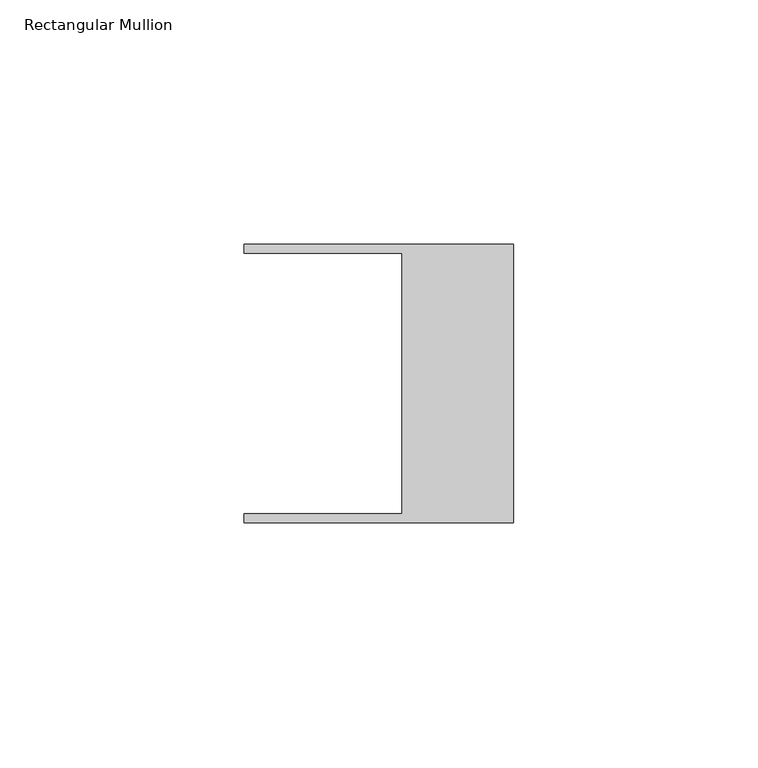
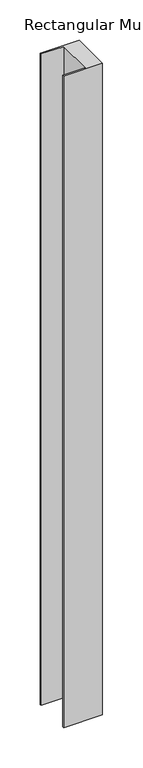
"""IFC4 building model written with IfcOpenShell, lengths in millimetres: member geometry, Rectangular Mullion."""

import ifcopenshell
import ifcopenshell.guid

model = None  # the IFC model being written
_history = None  # IfcOwnerHistory: only IFC2X3 demands one
_inside = {}  # id of a spatial element -> (the spatial element, [elements in it])
_under = {}  # id of a project, library or spatial element -> (it, [spatial elements below it])
_declared = {}  # id of a project -> (the project, [libraries it declares])
_typed = {}  # id of a type object -> (the type object, [elements of that type])
_made_of = {}  # id of a material, layer set ... -> (it, [elements and type objects made of it])


def new_model(schema):
    """Start an empty IFC model of exactly this schema.

    Asked for "IFC4X3", IfcOpenShell would pick the latest addendum, in which some entities
    have other attributes; the version numbers below select the first issue.
    IFC2X3 requires an IfcOwnerHistory on every rooted entity: one is made here for all.
    """
    global model, _history
    if schema == "IFC4X3":
        model = ifcopenshell.file(schema_version=(4, 3, 0, 0))
    else:
        model = ifcopenshell.file(schema=schema)
    _inside.clear()
    _under.clear()
    _declared.clear()
    _typed.clear()
    _made_of.clear()
    _history = None
    if model.schema == "IFC2X3":
        org = make("IfcOrganization", Name="unknown")
        user = make(
            "IfcPersonAndOrganization",
            ThePerson=make("IfcPerson", FamilyName="unknown"),
            TheOrganization=org,
        )
        app = make(
            "IfcApplication",
            ApplicationDeveloper=org,
            Version="unknown",
            ApplicationFullName="unknown",
            ApplicationIdentifier="unknown",
        )
        _history = make(
            "IfcOwnerHistory",
            OwningUser=user,
            OwningApplication=app,
            ChangeAction="ADDED",
            CreationDate=0,
        )
    return model


def make(cls, **values):
    """One entity of the class cls with the attributes given. An attribute that is None is left unset."""
    return model.create_entity(
        cls, **{name: value for name, value in values.items() if value is not None}
    )


def rooted(cls, **values):
    """An entity with a GlobalId (a new one), such as an element, a storey or a relation."""
    return make(cls, GlobalId=ifcopenshell.guid.new(), OwnerHistory=_history, **values)


def si_unit(unit_type, name, prefix=None):
    """IfcSIUnit, for example si_unit("LENGTHUNIT", "METRE", prefix="MILLI")."""
    return make("IfcSIUnit", UnitType=unit_type, Prefix=prefix, Name=name)


def assignment(units):
    """IfcUnitAssignment: the units of a project."""
    return None if units is None else make("IfcUnitAssignment", Units=units)


def point(xyz):
    """IfcCartesianPoint."""
    return None if xyz is None else make("IfcCartesianPoint", Coordinates=xyz)


def direction(xyz):
    """IfcDirection."""
    return None if xyz is None else make("IfcDirection", DirectionRatios=xyz)


def frame(location, z_axis=None, x_axis=None):
    """IfcAxis2Placement3D, a coordinate frame: its origin and axes. An axis left out is left unset."""
    return make(
        "IfcAxis2Placement3D",
        Location=point(location),
        Axis=direction(z_axis),
        RefDirection=direction(x_axis),
    )


def origin():
    """The frame at (0, 0, 0) with its axes left unset."""
    return frame((0.0, 0.0, 0.0))


def place(relative_to, where):
    """IfcLocalPlacement: puts the frame where relative to a parent placement (None: the world)."""
    return make(
        "IfcLocalPlacement", PlacementRelTo=relative_to, RelativePlacement=where
    )


def context(
    kind, dimensions, precision=None, world=None, true_north=None, identifier=None
):
    """IfcGeometricRepresentationContext, for example the 3D "Model" context."""
    return make(
        "IfcGeometricRepresentationContext",
        ContextIdentifier=identifier,
        ContextType=kind,
        CoordinateSpaceDimension=dimensions,
        Precision=precision,
        WorldCoordinateSystem=world,
        TrueNorth=true_north,
    )


def project(units=None, contexts=None):
    """IfcProject with its units and contexts."""
    return rooted(
        "IfcProject",
        Name="project",
        RepresentationContexts=contexts,
        UnitsInContext=assignment(units),
    )


def spatial(cls, under=None, at=None, **own):
    """A site, building, storey or space (cls), placed at a placement, below another one or the project."""
    s = rooted(cls, ObjectPlacement=at, **own)
    if under is not None:
        _under.setdefault(under.id(), (under, []))[1].append(s)
    return s


def polyline(points):
    """IfcPolyline through the points."""
    return make("IfcPolyline", Points=[point(p) for p in points])


def outline(outer, holes=None, kind="AREA"):
    """IfcArbitraryClosedProfileDef: a profile drawn as a closed curve; with holes, ...WithVoids."""
    if holes is None:
        return make("IfcArbitraryClosedProfileDef", ProfileType=kind, OuterCurve=outer)
    return make(
        "IfcArbitraryProfileDefWithVoids",
        ProfileType=kind,
        OuterCurve=outer,
        InnerCurves=holes,
    )


def extrude(swept, where, along, depth):
    """IfcExtrudedAreaSolid: the profile swept, set in the frame where, extruded along a direction by depth."""
    return make(
        "IfcExtrudedAreaSolid",
        SweptArea=swept,
        Position=where,
        ExtrudedDirection=direction(along),
        Depth=depth,
    )


def shape(context_of_items, identifier, shape_type, items):
    """IfcShapeRepresentation: the items that make up one representation, for example the "Body"."""
    return make(
        "IfcShapeRepresentation",
        ContextOfItems=context_of_items,
        RepresentationIdentifier=identifier,
        RepresentationType=shape_type,
        Items=items,
    )


def source(mapping_origin, context_of_items, identifier, shape_type, items):
    """IfcRepresentationMap: a shape defined once, which mapped items show again and again."""
    return make(
        "IfcRepresentationMap",
        MappingOrigin=mapping_origin,
        MappedRepresentation=shape(context_of_items, identifier, shape_type, items),
    )


def transform(
    local_origin,
    x_axis=None,
    y_axis=None,
    z_axis=None,
    scale=None,
    scale2=None,
    scale3=None,
    uniform=True,
):
    """IfcCartesianTransformationOperator3D, or its non-uniform kind. x_axis, y_axis, z_axis: its Axis1, 2, 3."""
    if uniform:
        return make(
            "IfcCartesianTransformationOperator3D",
            Axis1=direction(x_axis),
            Axis2=direction(y_axis),
            LocalOrigin=point(local_origin),
            Scale=scale,
            Axis3=direction(z_axis),
        )
    return make(
        "IfcCartesianTransformationOperator3DnonUniform",
        Axis1=direction(x_axis),
        Axis2=direction(y_axis),
        LocalOrigin=point(local_origin),
        Scale=scale,
        Axis3=direction(z_axis),
        Scale2=scale2,
        Scale3=scale3,
    )


def mapped(mapping_source, mapping_target):
    """IfcMappedItem: shows the shape of a source again, moved by a transform."""
    return make(
        "IfcMappedItem", MappingSource=mapping_source, MappingTarget=mapping_target
    )


def made_of(thing, what):
    """Note that an element or type object is made of a material, layer set ...; save() writes the relation."""
    if what is not None:
        _made_of.setdefault(what.id(), (what, []))[1].append(thing)
    return thing


def element(
    cls,
    number,
    at=None,
    inside=None,
    cuts=None,
    type_object=None,
    material=None,
    context=None,
    identifier="Body",
    shape_type=None,
    held_by="IfcProductDefinitionShape",
    body=None,
    shapes=None,
    **own,
):
    """One element of the class cls, such as IfcWall. Its Tag is "e" and its number.

    at: its placement. inside: the storey or other place that contains it. cuts: it is an
    opening in that element (IfcRelVoidsElement). A single representation is given by context,
    identifier, shape_type and body (its items); several are given by shapes. held_by: the class
    of the entity that holds the representations. save() writes the other relations.
    """
    e = rooted(cls, Tag="e%d" % number, ObjectPlacement=at, **own)
    if body is not None:
        shapes = [shape(context, identifier, shape_type, body)]
    if shapes is not None:
        e.Representation = make(held_by, Representations=shapes)
    if inside is not None:
        _inside.setdefault(inside.id(), (inside, []))[1].append(e)
    if cuts is not None:
        rooted(
            "IfcRelVoidsElement", RelatingBuildingElement=cuts, RelatedOpeningElement=e
        )
    if type_object is not None:
        _typed.setdefault(type_object.id(), (type_object, []))[1].append(e)
    return made_of(e, material)


def aggregate(whole, parts):
    """IfcRelAggregates: a whole, such as a stair, and the parts it consists of."""
    return rooted("IfcRelAggregates", RelatingObject=whole, RelatedObjects=parts)


def save(model, path):
    """Write the relations noted so far, then the file.

    IfcRelAggregates (storeys below a building ...), IfcRelContainedInSpatialStructure (elements
    in a storey), IfcRelDefinesByType, IfcRelAssociatesMaterial and IfcRelDeclares: one each for
    every whole, place, type object, material and project.
    """
    for whole, parts in _under.values():
        aggregate(whole, parts)
    for where, things in _inside.values():
        rooted(
            "IfcRelContainedInSpatialStructure",
            RelatedElements=things,
            RelatingStructure=where,
        )
    for kind, things in _typed.values():
        rooted("IfcRelDefinesByType", RelatedObjects=things, RelatingType=kind)
    for what, things in _made_of.values():
        rooted("IfcRelAssociatesMaterial", RelatedObjects=things, RelatingMaterial=what)
    for by, libraries in _declared.values():
        rooted("IfcRelDeclares", RelatingContext=by, RelatedDefinitions=libraries)
    model.write(path)


def rectangular_mullion_436f595d(model_context):
    return source(origin(), model_context, "Body", "SweptSolid", [
        extrude(outline(polyline([(-55.118, 26.67), (-55.118, 28.448), (0.0, 28.448), (0.0, -28.448), (-55.118, -28.448), (-55.118, -26.67), (-22.86, -26.67), (-22.86, 26.67), (-55.118, 26.67)])), frame((0.0, 0.0, -982.1333333), z_axis=(0.0, 0.0, 1.0), x_axis=(1.0, 0.0, 0.0)), (0.0, 0.0, 1.0), 982.1333333),
    ])


if __name__ == "__main__":
    model = new_model("IFC4")
    model_context = context("Model", 3, world=origin())
    ifc_project = project(units=[si_unit("LENGTHUNIT", "METRE", prefix="MILLI")], contexts=[model_context])
    site = spatial("IfcSite", under=ifc_project)
    building = spatial("IfcBuilding", under=site)
    placement = place(None, origin())
    rectangular_mullion_shape = rectangular_mullion_436f595d(model_context)
    element("IfcMember", 1, ObjectType="Rectangular Mullion", at=placement, inside=building, context=model_context, shape_type="MappedRepresentation", body=[
        mapped(rectangular_mullion_shape, transform((0.0, 0.0, 0.0), x_axis=(1.0, 0.0, 0.0), y_axis=(0.0, 1.0, 0.0), z_axis=(0.0, 0.0, 1.0))),
    ])
    save(model, "model.ifc")
